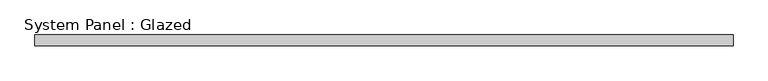
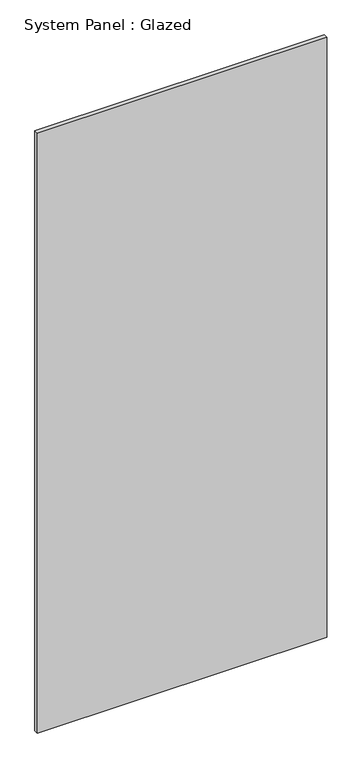
"""IFC4 building model written with IfcOpenShell, lengths in millimetres: plate geometry, System Panel : Glazed."""

import ifcopenshell
import ifcopenshell.guid

model = None  # the IFC model being written
_history = None  # IfcOwnerHistory: only IFC2X3 demands one
_inside = {}  # id of a spatial element -> (the spatial element, [elements in it])
_under = {}  # id of a project, library or spatial element -> (it, [spatial elements below it])
_declared = {}  # id of a project -> (the project, [libraries it declares])
_typed = {}  # id of a type object -> (the type object, [elements of that type])
_made_of = {}  # id of a material, layer set ... -> (it, [elements and type objects made of it])


def new_model(schema):
    """Start an empty IFC model of exactly this schema.

    Asked for "IFC4X3", IfcOpenShell would pick the latest addendum, in which some entities
    have other attributes; the version numbers below select the first issue.
    IFC2X3 requires an IfcOwnerHistory on every rooted entity: one is made here for all.
    """
    global model, _history
    if schema == "IFC4X3":
        model = ifcopenshell.file(schema_version=(4, 3, 0, 0))
    else:
        model = ifcopenshell.file(schema=schema)
    _inside.clear()
    _under.clear()
    _declared.clear()
    _typed.clear()
    _made_of.clear()
    _history = None
    if model.schema == "IFC2X3":
        org = make("IfcOrganization", Name="unknown")
        user = make(
            "IfcPersonAndOrganization",
            ThePerson=make("IfcPerson", FamilyName="unknown"),
            TheOrganization=org,
        )
        app = make(
            "IfcApplication",
            ApplicationDeveloper=org,
            Version="unknown",
            ApplicationFullName="unknown",
            ApplicationIdentifier="unknown",
        )
        _history = make(
            "IfcOwnerHistory",
            OwningUser=user,
            OwningApplication=app,
            ChangeAction="ADDED",
            CreationDate=0,
        )
    return model


def make(cls, **values):
    """One entity of the class cls with the attributes given. An attribute that is None is left unset."""
    return model.create_entity(
        cls, **{name: value for name, value in values.items() if value is not None}
    )


def rooted(cls, **values):
    """An entity with a GlobalId (a new one), such as an element, a storey or a relation."""
    return make(cls, GlobalId=ifcopenshell.guid.new(), OwnerHistory=_history, **values)


def si_unit(unit_type, name, prefix=None):
    """IfcSIUnit, for example si_unit("LENGTHUNIT", "METRE", prefix="MILLI")."""
    return make("IfcSIUnit", UnitType=unit_type, Prefix=prefix, Name=name)


def assignment(units):
    """IfcUnitAssignment: the units of a project."""
    return None if units is None else make("IfcUnitAssignment", Units=units)


def point(xyz):
    """IfcCartesianPoint."""
    return None if xyz is None else make("IfcCartesianPoint", Coordinates=xyz)


def direction(xyz):
    """IfcDirection."""
    return None if xyz is None else make("IfcDirection", DirectionRatios=xyz)


def frame(location, z_axis=None, x_axis=None):
    """IfcAxis2Placement3D, a coordinate frame: its origin and axes. An axis left out is left unset."""
    return make(
        "IfcAxis2Placement3D",
        Location=point(location),
        Axis=direction(z_axis),
        RefDirection=direction(x_axis),
    )


def origin():
    """The frame at (0, 0, 0) with its axes left unset."""
    return frame((0.0, 0.0, 0.0))


def origin_with_axes():
    """The frame at (0, 0, 0) with the z axis (0, 0, 1) and the x axis (1, 0, 0) written out."""
    return frame((0.0, 0.0, 0.0), z_axis=(0.0, 0.0, 1.0), x_axis=(1.0, 0.0, 0.0))


def place(relative_to, where):
    """IfcLocalPlacement: puts the frame where relative to a parent placement (None: the world)."""
    return make(
        "IfcLocalPlacement", PlacementRelTo=relative_to, RelativePlacement=where
    )


def context(
    kind, dimensions, precision=None, world=None, true_north=None, identifier=None
):
    """IfcGeometricRepresentationContext, for example the 3D "Model" context."""
    return make(
        "IfcGeometricRepresentationContext",
        ContextIdentifier=identifier,
        ContextType=kind,
        CoordinateSpaceDimension=dimensions,
        Precision=precision,
        WorldCoordinateSystem=world,
        TrueNorth=true_north,
    )


def project(units=None, contexts=None):
    """IfcProject with its units and contexts."""
    return rooted(
        "IfcProject",
        Name="project",
        RepresentationContexts=contexts,
        UnitsInContext=assignment(units),
    )


def spatial(cls, under=None, at=None, **own):
    """A site, building, storey or space (cls), placed at a placement, below another one or the project."""
    s = rooted(cls, ObjectPlacement=at, **own)
    if under is not None:
        _under.setdefault(under.id(), (under, []))[1].append(s)
    return s


def polyline(points):
    """IfcPolyline through the points."""
    return make("IfcPolyline", Points=[point(p) for p in points])


def outline(outer, holes=None, kind="AREA"):
    """IfcArbitraryClosedProfileDef: a profile drawn as a closed curve; with holes, ...WithVoids."""
    if holes is None:
        return make("IfcArbitraryClosedProfileDef", ProfileType=kind, OuterCurve=outer)
    return make(
        "IfcArbitraryProfileDefWithVoids",
        ProfileType=kind,
        OuterCurve=outer,
        InnerCurves=holes,
    )


def extrude(swept, where, along, depth):
    """IfcExtrudedAreaSolid: the profile swept, set in the frame where, extruded along a direction by depth."""
    return make(
        "IfcExtrudedAreaSolid",
        SweptArea=swept,
        Position=where,
        ExtrudedDirection=direction(along),
        Depth=depth,
    )


def shape(context_of_items, identifier, shape_type, items):
    """IfcShapeRepresentation: the items that make up one representation, for example the "Body"."""
    return make(
        "IfcShapeRepresentation",
        ContextOfItems=context_of_items,
        RepresentationIdentifier=identifier,
        RepresentationType=shape_type,
        Items=items,
    )


def source(mapping_origin, context_of_items, identifier, shape_type, items):
    """IfcRepresentationMap: a shape defined once, which mapped items show again and again."""
    return make(
        "IfcRepresentationMap",
        MappingOrigin=mapping_origin,
        MappedRepresentation=shape(context_of_items, identifier, shape_type, items),
    )


def transform(
    local_origin,
    x_axis=None,
    y_axis=None,
    z_axis=None,
    scale=None,
    scale2=None,
    scale3=None,
    uniform=True,
):
    """IfcCartesianTransformationOperator3D, or its non-uniform kind. x_axis, y_axis, z_axis: its Axis1, 2, 3."""
    if uniform:
        return make(
            "IfcCartesianTransformationOperator3D",
            Axis1=direction(x_axis),
            Axis2=direction(y_axis),
            LocalOrigin=point(local_origin),
            Scale=scale,
            Axis3=direction(z_axis),
        )
    return make(
        "IfcCartesianTransformationOperator3DnonUniform",
        Axis1=direction(x_axis),
        Axis2=direction(y_axis),
        LocalOrigin=point(local_origin),
        Scale=scale,
        Axis3=direction(z_axis),
        Scale2=scale2,
        Scale3=scale3,
    )


def mapped(mapping_source, mapping_target):
    """IfcMappedItem: shows the shape of a source again, moved by a transform."""
    return make(
        "IfcMappedItem", MappingSource=mapping_source, MappingTarget=mapping_target
    )


def made_of(thing, what):
    """Note that an element or type object is made of a material, layer set ...; save() writes the relation."""
    if what is not None:
        _made_of.setdefault(what.id(), (what, []))[1].append(thing)
    return thing


def element(
    cls,
    number,
    at=None,
    inside=None,
    cuts=None,
    type_object=None,
    material=None,
    context=None,
    identifier="Body",
    shape_type=None,
    held_by="IfcProductDefinitionShape",
    body=None,
    shapes=None,
    **own,
):
    """One element of the class cls, such as IfcWall. Its Tag is "e" and its number.

    at: its placement. inside: the storey or other place that contains it. cuts: it is an
    opening in that element (IfcRelVoidsElement). A single representation is given by context,
    identifier, shape_type and body (its items); several are given by shapes. held_by: the class
    of the entity that holds the representations. save() writes the other relations.
    """
    e = rooted(cls, Tag="e%d" % number, ObjectPlacement=at, **own)
    if body is not None:
        shapes = [shape(context, identifier, shape_type, body)]
    if shapes is not None:
        e.Representation = make(held_by, Representations=shapes)
    if inside is not None:
        _inside.setdefault(inside.id(), (inside, []))[1].append(e)
    if cuts is not None:
        rooted(
            "IfcRelVoidsElement", RelatingBuildingElement=cuts, RelatedOpeningElement=e
        )
    if type_object is not None:
        _typed.setdefault(type_object.id(), (type_object, []))[1].append(e)
    return made_of(e, material)


def aggregate(whole, parts):
    """IfcRelAggregates: a whole, such as a stair, and the parts it consists of."""
    return rooted("IfcRelAggregates", RelatingObject=whole, RelatedObjects=parts)


def save(model, path):
    """Write the relations noted so far, then the file.

    IfcRelAggregates (storeys below a building ...), IfcRelContainedInSpatialStructure (elements
    in a storey), IfcRelDefinesByType, IfcRelAssociatesMaterial and IfcRelDeclares: one each for
    every whole, place, type object, material and project.
    """
    for whole, parts in _under.values():
        aggregate(whole, parts)
    for where, things in _inside.values():
        rooted(
            "IfcRelContainedInSpatialStructure",
            RelatedElements=things,
            RelatingStructure=where,
        )
    for kind, things in _typed.values():
        rooted("IfcRelDefinesByType", RelatedObjects=things, RelatingType=kind)
    for what, things in _made_of.values():
        rooted("IfcRelAssociatesMaterial", RelatedObjects=things, RelatingMaterial=what)
    for by, libraries in _declared.values():
        rooted("IfcRelDeclares", RelatingContext=by, RelatedDefinitions=libraries)
    model.write(path)


def system_panel_glazed_9022d1cb(model_context):
    return source(origin(), model_context, "Body", "SweptSolid", [
        extrude(outline(polyline([(835.0413663, 19.05), (-835.0413663, 19.05), (-835.0413663, 44.45), (835.0413663, 44.45), (835.0413663, 19.05)])), origin_with_axes(), (0.0, 0.0, 1.0), 3657.6),
    ])


if __name__ == "__main__":
    model = new_model("IFC4")
    model_context = context("Model", 3, world=origin())
    ifc_project = project(units=[si_unit("LENGTHUNIT", "METRE", prefix="MILLI")], contexts=[model_context])
    site = spatial("IfcSite", under=ifc_project)
    building = spatial("IfcBuilding", under=site)
    placement = place(None, origin())
    system_panel_glazed_shape = system_panel_glazed_9022d1cb(model_context)
    element("IfcPlate", 1, ObjectType="System Panel : Glazed", at=placement, inside=building, context=model_context, shape_type="MappedRepresentation", body=[
        mapped(system_panel_glazed_shape, transform((0.0, 0.0, 0.0), x_axis=(1.0, 0.0, 0.0), y_axis=(0.0, 1.0, 0.0), z_axis=(0.0, 0.0, 1.0))),
    ])
    save(model, "model.ifc")
